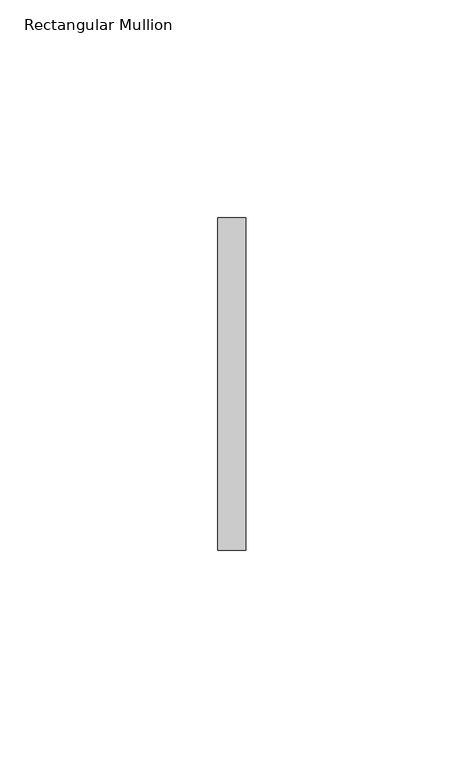
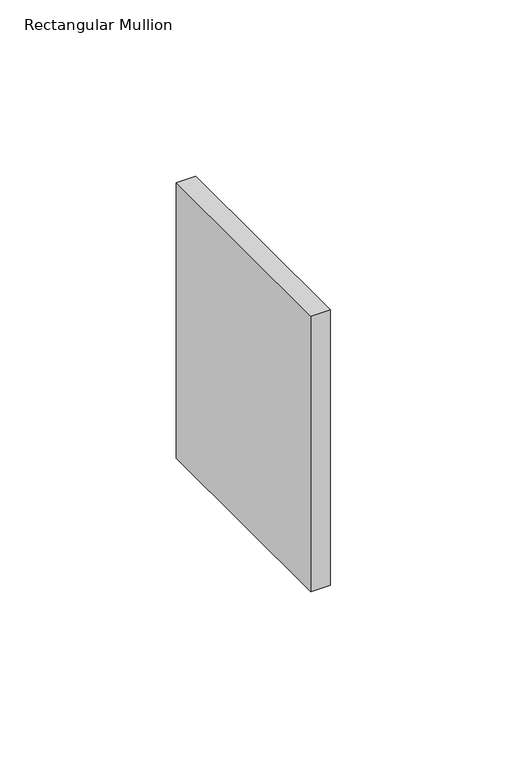
"""IFC4 building model written with IfcOpenShell, lengths in millimetres: member geometry, Rectangular Mullion."""

import ifcopenshell
import ifcopenshell.guid

model = None  # the IFC model being written
_history = None  # IfcOwnerHistory: only IFC2X3 demands one
_inside = {}  # id of a spatial element -> (the spatial element, [elements in it])
_under = {}  # id of a project, library or spatial element -> (it, [spatial elements below it])
_declared = {}  # id of a project -> (the project, [libraries it declares])
_typed = {}  # id of a type object -> (the type object, [elements of that type])
_made_of = {}  # id of a material, layer set ... -> (it, [elements and type objects made of it])


def new_model(schema):
    """Start an empty IFC model of exactly this schema.

    Asked for "IFC4X3", IfcOpenShell would pick the latest addendum, in which some entities
    have other attributes; the version numbers below select the first issue.
    IFC2X3 requires an IfcOwnerHistory on every rooted entity: one is made here for all.
    """
    global model, _history
    if schema == "IFC4X3":
        model = ifcopenshell.file(schema_version=(4, 3, 0, 0))
    else:
        model = ifcopenshell.file(schema=schema)
    _inside.clear()
    _under.clear()
    _declared.clear()
    _typed.clear()
    _made_of.clear()
    _history = None
    if model.schema == "IFC2X3":
        org = make("IfcOrganization", Name="unknown")
        user = make(
            "IfcPersonAndOrganization",
            ThePerson=make("IfcPerson", FamilyName="unknown"),
            TheOrganization=org,
        )
        app = make(
            "IfcApplication",
            ApplicationDeveloper=org,
            Version="unknown",
            ApplicationFullName="unknown",
            ApplicationIdentifier="unknown",
        )
        _history = make(
            "IfcOwnerHistory",
            OwningUser=user,
            OwningApplication=app,
            ChangeAction="ADDED",
            CreationDate=0,
        )
    return model


def make(cls, **values):
    """One entity of the class cls with the attributes given. An attribute that is None is left unset."""
    return model.create_entity(
        cls, **{name: value for name, value in values.items() if value is not None}
    )


def rooted(cls, **values):
    """An entity with a GlobalId (a new one), such as an element, a storey or a relation."""
    return make(cls, GlobalId=ifcopenshell.guid.new(), OwnerHistory=_history, **values)


def si_unit(unit_type, name, prefix=None):
    """IfcSIUnit, for example si_unit("LENGTHUNIT", "METRE", prefix="MILLI")."""
    return make("IfcSIUnit", UnitType=unit_type, Prefix=prefix, Name=name)


def assignment(units):
    """IfcUnitAssignment: the units of a project."""
    return None if units is None else make("IfcUnitAssignment", Units=units)


def point(xyz):
    """IfcCartesianPoint."""
    return None if xyz is None else make("IfcCartesianPoint", Coordinates=xyz)


def direction(xyz):
    """IfcDirection."""
    return None if xyz is None else make("IfcDirection", DirectionRatios=xyz)


def frame(location, z_axis=None, x_axis=None):
    """IfcAxis2Placement3D, a coordinate frame: its origin and axes. An axis left out is left unset."""
    return make(
        "IfcAxis2Placement3D",
        Location=point(location),
        Axis=direction(z_axis),
        RefDirection=direction(x_axis),
    )


def origin():
    """The frame at (0, 0, 0) with its axes left unset."""
    return frame((0.0, 0.0, 0.0))


def place(relative_to, where):
    """IfcLocalPlacement: puts the frame where relative to a parent placement (None: the world)."""
    return make(
        "IfcLocalPlacement", PlacementRelTo=relative_to, RelativePlacement=where
    )


def context(
    kind, dimensions, precision=None, world=None, true_north=None, identifier=None
):
    """IfcGeometricRepresentationContext, for example the 3D "Model" context."""
    return make(
        "IfcGeometricRepresentationContext",
        ContextIdentifier=identifier,
        ContextType=kind,
        CoordinateSpaceDimension=dimensions,
        Precision=precision,
        WorldCoordinateSystem=world,
        TrueNorth=true_north,
    )


def project(units=None, contexts=None):
    """IfcProject with its units and contexts."""
    return rooted(
        "IfcProject",
        Name="project",
        RepresentationContexts=contexts,
        UnitsInContext=assignment(units),
    )


def spatial(cls, under=None, at=None, **own):
    """A site, building, storey or space (cls), placed at a placement, below another one or the project."""
    s = rooted(cls, ObjectPlacement=at, **own)
    if under is not None:
        _under.setdefault(under.id(), (under, []))[1].append(s)
    return s


def polyline(points):
    """IfcPolyline through the points."""
    return make("IfcPolyline", Points=[point(p) for p in points])


def outline(outer, holes=None, kind="AREA"):
    """IfcArbitraryClosedProfileDef: a profile drawn as a closed curve; with holes, ...WithVoids."""
    if holes is None:
        return make("IfcArbitraryClosedProfileDef", ProfileType=kind, OuterCurve=outer)
    return make(
        "IfcArbitraryProfileDefWithVoids",
        ProfileType=kind,
        OuterCurve=outer,
        InnerCurves=holes,
    )


def extrude(swept, where, along, depth):
    """IfcExtrudedAreaSolid: the profile swept, set in the frame where, extruded along a direction by depth."""
    return make(
        "IfcExtrudedAreaSolid",
        SweptArea=swept,
        Position=where,
        ExtrudedDirection=direction(along),
        Depth=depth,
    )


def shape(context_of_items, identifier, shape_type, items):
    """IfcShapeRepresentation: the items that make up one representation, for example the "Body"."""
    return make(
        "IfcShapeRepresentation",
        ContextOfItems=context_of_items,
        RepresentationIdentifier=identifier,
        RepresentationType=shape_type,
        Items=items,
    )


def source(mapping_origin, context_of_items, identifier, shape_type, items):
    """IfcRepresentationMap: a shape defined once, which mapped items show again and again."""
    return make(
        "IfcRepresentationMap",
        MappingOrigin=mapping_origin,
        MappedRepresentation=shape(context_of_items, identifier, shape_type, items),
    )


def transform(
    local_origin,
    x_axis=None,
    y_axis=None,
    z_axis=None,
    scale=None,
    scale2=None,
    scale3=None,
    uniform=True,
):
    """IfcCartesianTransformationOperator3D, or its non-uniform kind. x_axis, y_axis, z_axis: its Axis1, 2, 3."""
    if uniform:
        return make(
            "IfcCartesianTransformationOperator3D",
            Axis1=direction(x_axis),
            Axis2=direction(y_axis),
            LocalOrigin=point(local_origin),
            Scale=scale,
            Axis3=direction(z_axis),
        )
    return make(
        "IfcCartesianTransformationOperator3DnonUniform",
        Axis1=direction(x_axis),
        Axis2=direction(y_axis),
        LocalOrigin=point(local_origin),
        Scale=scale,
        Axis3=direction(z_axis),
        Scale2=scale2,
        Scale3=scale3,
    )


def mapped(mapping_source, mapping_target):
    """IfcMappedItem: shows the shape of a source again, moved by a transform."""
    return make(
        "IfcMappedItem", MappingSource=mapping_source, MappingTarget=mapping_target
    )


def made_of(thing, what):
    """Note that an element or type object is made of a material, layer set ...; save() writes the relation."""
    if what is not None:
        _made_of.setdefault(what.id(), (what, []))[1].append(thing)
    return thing


def element(
    cls,
    number,
    at=None,
    inside=None,
    cuts=None,
    type_object=None,
    material=None,
    context=None,
    identifier="Body",
    shape_type=None,
    held_by="IfcProductDefinitionShape",
    body=None,
    shapes=None,
    **own,
):
    """One element of the class cls, such as IfcWall. Its Tag is "e" and its number.

    at: its placement. inside: the storey or other place that contains it. cuts: it is an
    opening in that element (IfcRelVoidsElement). A single representation is given by context,
    identifier, shape_type and body (its items); several are given by shapes. held_by: the class
    of the entity that holds the representations. save() writes the other relations.
    """
    e = rooted(cls, Tag="e%d" % number, ObjectPlacement=at, **own)
    if body is not None:
        shapes = [shape(context, identifier, shape_type, body)]
    if shapes is not None:
        e.Representation = make(held_by, Representations=shapes)
    if inside is not None:
        _inside.setdefault(inside.id(), (inside, []))[1].append(e)
    if cuts is not None:
        rooted(
            "IfcRelVoidsElement", RelatingBuildingElement=cuts, RelatedOpeningElement=e
        )
    if type_object is not None:
        _typed.setdefault(type_object.id(), (type_object, []))[1].append(e)
    return made_of(e, material)


def aggregate(whole, parts):
    """IfcRelAggregates: a whole, such as a stair, and the parts it consists of."""
    return rooted("IfcRelAggregates", RelatingObject=whole, RelatedObjects=parts)


def save(model, path):
    """Write the relations noted so far, then the file.

    IfcRelAggregates (storeys below a building ...), IfcRelContainedInSpatialStructure (elements
    in a storey), IfcRelDefinesByType, IfcRelAssociatesMaterial and IfcRelDeclares: one each for
    every whole, place, type object, material and project.
    """
    for whole, parts in _under.values():
        aggregate(whole, parts)
    for where, things in _inside.values():
        rooted(
            "IfcRelContainedInSpatialStructure",
            RelatedElements=things,
            RelatingStructure=where,
        )
    for kind, things in _typed.values():
        rooted("IfcRelDefinesByType", RelatedObjects=things, RelatingType=kind)
    for what, things in _made_of.values():
        rooted("IfcRelAssociatesMaterial", RelatedObjects=things, RelatingMaterial=what)
    for by, libraries in _declared.values():
        rooted("IfcRelDeclares", RelatingContext=by, RelatedDefinitions=libraries)
    model.write(path)


def rectangular_mullion_355404e9(model_context):
    return source(origin(), model_context, "Body", "SweptSolid", [
        extrude(outline(polyline([(0.0, 38.1), (0.0, -38.1), (-6.35, -38.1), (-6.35, 38.1), (0.0, 38.1)])), frame((0.0, 0.0, -95.25), z_axis=(0.0, 0.0, 1.0), x_axis=(1.0, 0.0, 0.0)), (0.0, 0.0, 1.0), 95.25),
    ])


if __name__ == "__main__":
    model = new_model("IFC4")
    model_context = context("Model", 3, world=origin())
    ifc_project = project(units=[si_unit("LENGTHUNIT", "METRE", prefix="MILLI")], contexts=[model_context])
    site = spatial("IfcSite", under=ifc_project)
    building = spatial("IfcBuilding", under=site)
    placement = place(None, origin())
    rectangular_mullion_shape = rectangular_mullion_355404e9(model_context)
    element("IfcMember", 1, ObjectType="Rectangular Mullion", at=placement, inside=building, context=model_context, shape_type="MappedRepresentation", body=[
        mapped(rectangular_mullion_shape, transform((0.0, 0.0, 0.0), x_axis=(1.0, 0.0, 0.0), y_axis=(0.0, 1.0, 0.0), z_axis=(0.0, 0.0, 1.0))),
    ])
    save(model, "model.ifc")
